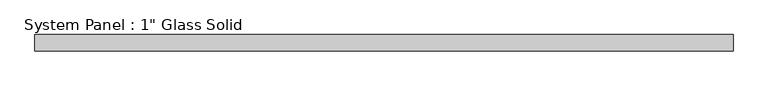
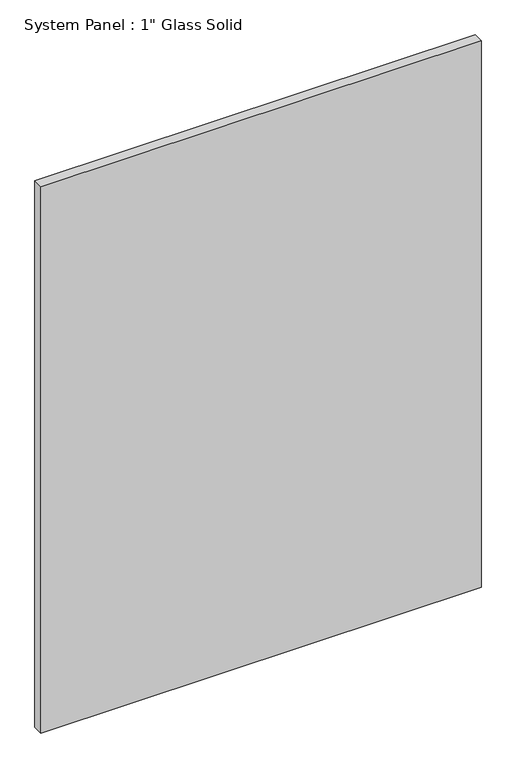
"""IFC4 building model written with IfcOpenShell, lengths in millimetres: plate geometry."""

from ifc_helpers import new_model, si_unit, origin, origin_with_axes, place, context, project, spatial, polyline, outline, extrude, source, transform, mapped, element, save


def plate_b934c0cb(model_context):
    return source(origin(), model_context, "Body", "SweptSolid", [
        extrude(outline(polyline([(548.6970691, -12.7), (-548.6970691, -12.7), (-548.6970691, 12.7), (548.6970691, 12.7), (548.6970691, -12.7)])), origin_with_axes(), (0.0, 0.0, 1.0), 1440.1817704),
    ])


if __name__ == "__main__":
    model = new_model("IFC4")
    model_context = context("Model", 3, world=origin())
    ifc_project = project(units=[si_unit("LENGTHUNIT", "METRE", prefix="MILLI")], contexts=[model_context])
    site = spatial("IfcSite", under=ifc_project)
    building = spatial("IfcBuilding", under=site)
    placement = place(None, origin())
    plate_shape = plate_b934c0cb(model_context)
    element("IfcPlate", 1, ObjectType="System Panel : 1\" Glass Solid", at=placement, inside=building, context=model_context, shape_type="MappedRepresentation", body=[
        mapped(plate_shape, transform((0.0, 0.0, 0.0), x_axis=(1.0, 0.0, 0.0), y_axis=(0.0, 1.0, 0.0), z_axis=(0.0, 0.0, 1.0))),
    ])
    save(model, "model.ifc")
